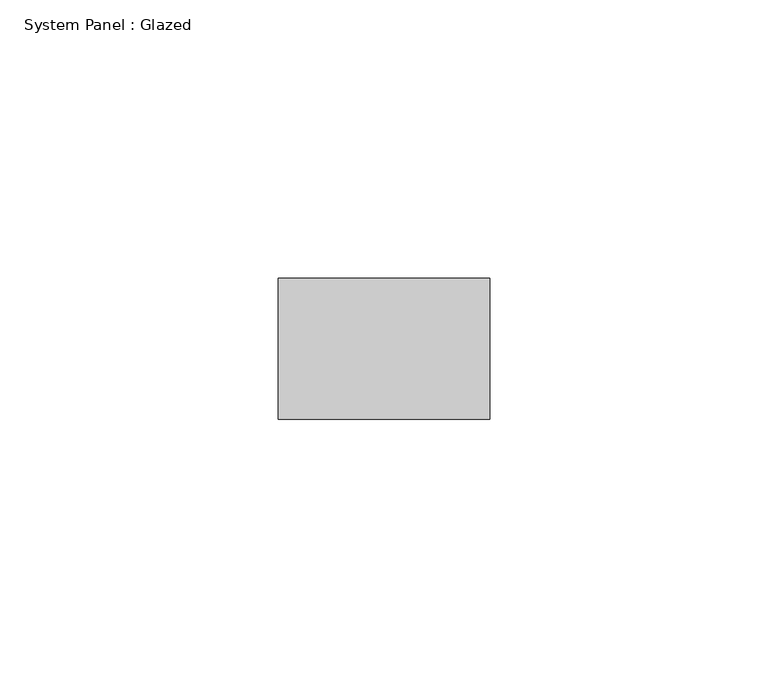
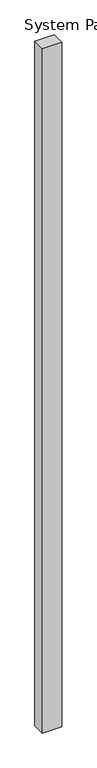
"""IFC4 building model written with IfcOpenShell, lengths in millimetres: plate geometry, System Panel : Glazed."""

from ifc_helpers import new_model, si_unit, origin, origin_with_axes, place, context, project, spatial, polyline, outline, extrude, source, transform, mapped, element, save


def system_panel_glazed_bdc67087(model_context):
    return source(origin(), model_context, "Body", "SweptSolid", [
        extrude(outline(polyline([(19.05, -44.45), (-19.05, -44.45), (-19.05, -19.05), (19.05, -19.05), (19.05, -44.45)])), origin_with_axes(), (0.0, 0.0, 1.0), 1409.7),
    ])


if __name__ == "__main__":
    model = new_model("IFC4")
    model_context = context("Model", 3, world=origin())
    ifc_project = project(units=[si_unit("LENGTHUNIT", "METRE", prefix="MILLI")], contexts=[model_context])
    site = spatial("IfcSite", under=ifc_project)
    building = spatial("IfcBuilding", under=site)
    placement = place(None, origin())
    system_panel_glazed_shape = system_panel_glazed_bdc67087(model_context)
    element("IfcPlate", 1, ObjectType="System Panel : Glazed", at=placement, inside=building, context=model_context, shape_type="MappedRepresentation", body=[
        mapped(system_panel_glazed_shape, transform((0.0, 0.0, 0.0), x_axis=(1.0, 0.0, 0.0), y_axis=(0.0, 1.0, 0.0), z_axis=(0.0, 0.0, 1.0))),
    ])
    save(model, "model.ifc")
